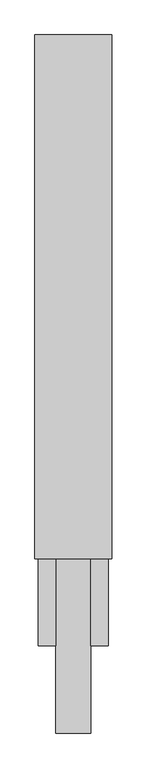
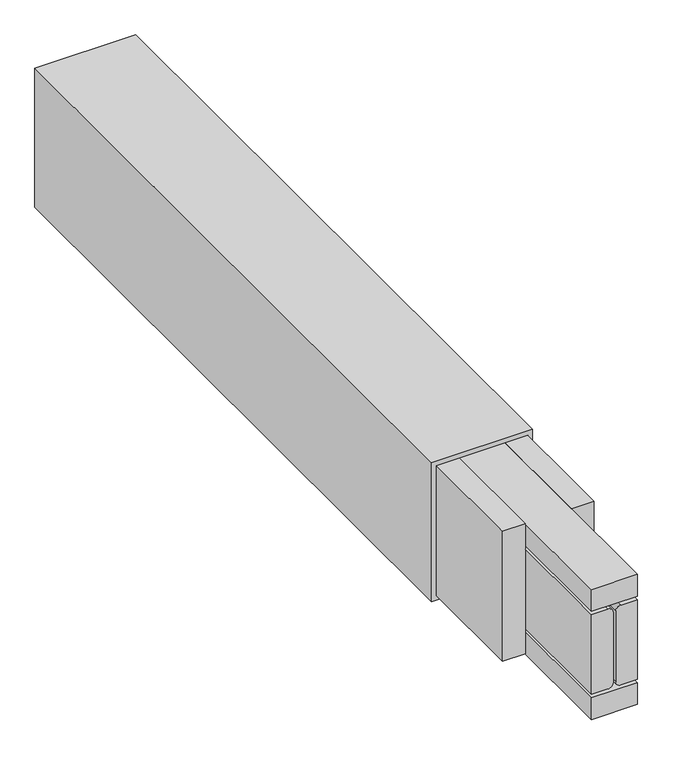
"""IFC4 building model written with IfcOpenShell, lengths in millimetres: beam geometry."""

from ifc_helpers import new_model, si_unit, point, frame, frame_2d, origin, place, context, project, spatial, polyline, circle_curve, trimmed, segment, composite_curve, outline, extrude, source, transform, mapped, element, save


def beam_fd8f88bd(model_context):
    return source(origin(), model_context, "Body", "SweptSolid", [
        extrude(outline(polyline([(215.0, -1403.6044048), (-105.0, -1403.6044048), (-105.0, -1183.6044048), (215.0, -1183.6044048), (215.0, -1403.6044048)]), holes=[polyline([(205.0, -1393.6044048), (205.0, -1193.6044048), (-95.0, -1193.6044048), (-95.0, -1393.6044048), (205.0, -1393.6044048)])]), frame((0.0, -35802.6148653, 0.0), z_axis=(0.0, 1.0, 0.0), x_axis=(0.0, 0.0, 1.0)), (0.0, 0.0, 1.0), 1500.0),
        extrude(outline(polyline([(-1243.6044048, -34302.6148653), (-1193.6044048, -34302.6148653), (-1193.6044048, -36052.6148653), (-1243.6044048, -36052.6148653), (-1243.6044048, -34302.6148653)])), frame((0.0, 0.0, -95.0), z_axis=(0.0, 0.0, 1.0), x_axis=(1.0, 0.0, 0.0)), (0.0, 0.0, 1.0), 300.0),
        extrude(outline(polyline([(-1393.6044048, -34302.6148653), (-1343.6044048, -34302.6148653), (-1343.6044048, -36052.6148653), (-1393.6044048, -36052.6148653), (-1393.6044048, -34302.6148653)])), frame((0.0, 0.0, -95.0), z_axis=(0.0, 0.0, 1.0), x_axis=(1.0, 0.0, 0.0)), (0.0, 0.0, 1.0), 300.0),
        extrude(outline(composite_curve([segment(polyline([(-37.0, -1343.6044048), (-37.0, -1307.3544048)]), True, "CONTINUOUS"), segment(trimmed(circle_curve(frame_2d((-26.0, -1307.3544048)), 11.0), [point((-37.0, -1307.3544048))], [point((-26.0, -1296.3544048))], False, "CARTESIAN"), True, "CONTINUOUS"), segment(polyline([(-26.0, -1296.3544048), (136.0, -1296.3544048)]), True, "CONTINUOUS"), segment(trimmed(circle_curve(frame_2d((136.0, -1307.3544048)), 11.0), [point((136.0, -1296.3544048))], [point((147.0, -1307.3544048))], False, "CARTESIAN"), True, "CONTINUOUS"), segment(polyline([(147.0, -1307.3544048), (147.0, -1343.6044048), (-37.0, -1343.6044048)]), True, "CONTINUOUS")], self_intersect=False)), frame((0.0, -36302.6148653, 0.0), z_axis=(0.0, 1.0, 0.0), x_axis=(0.0, 0.0, 1.0)), (0.0, 0.0, 1.0), 2000.0),
        extrude(outline(composite_curve([segment(polyline([(-37.0, -1243.6044048), (147.0, -1243.6044048), (147.0, -1279.8544048)]), True, "CONTINUOUS"), segment(trimmed(circle_curve(frame_2d((136.0, -1279.8544048)), 11.0), [point((147.0, -1279.8544048))], [point((136.0, -1290.8544048))], False, "CARTESIAN"), True, "CONTINUOUS"), segment(polyline([(136.0, -1290.8544048), (-26.0, -1290.8544048)]), True, "CONTINUOUS"), segment(trimmed(circle_curve(frame_2d((-26.0, -1279.8544048)), 11.0), [point((-26.0, -1290.8544048))], [point((-37.0, -1279.8544048))], False, "CARTESIAN"), True, "CONTINUOUS"), segment(polyline([(-37.0, -1279.8544048), (-37.0, -1243.6044048)]), True, "CONTINUOUS")], self_intersect=False)), frame((0.0, -36302.6148653, 0.0), z_axis=(0.0, 1.0, 0.0), x_axis=(0.0, 0.0, 1.0)), (0.0, 0.0, 1.0), 2000.0),
        extrude(outline(polyline([(-1343.6044048, -34302.6148653), (-1243.6044048, -34302.6148653), (-1243.6044048, -36302.6148653), (-1343.6044048, -36302.6148653), (-1343.6044048, -34302.6148653)])), frame((0.0, 0.0, 155.0), z_axis=(0.0, 0.0, 1.0), x_axis=(1.0, 0.0, 0.0)), (0.0, 0.0, 1.0), 50.0),
        extrude(outline(polyline([(-1343.6044048, -34302.6148653), (-1243.6044048, -34302.6148653), (-1243.6044048, -36302.6148653), (-1343.6044048, -36302.6148653), (-1343.6044048, -34302.6148653)])), frame((0.0, 0.0, -95.0), z_axis=(0.0, 0.0, 1.0), x_axis=(1.0, 0.0, 0.0)), (0.0, 0.0, 1.0), 50.0),
    ])


if __name__ == "__main__":
    model = new_model("IFC4")
    model_context = context("Model", 3, world=origin())
    ifc_project = project(units=[si_unit("LENGTHUNIT", "METRE", prefix="MILLI")], contexts=[model_context])
    site = spatial("IfcSite", under=ifc_project)
    building = spatial("IfcBuilding", under=site)
    placement = place(None, origin())
    beam_shape = beam_fd8f88bd(model_context)
    element("IfcBeam", 1, at=placement, inside=building, context=model_context, shape_type="MappedRepresentation", body=[
        mapped(beam_shape, transform((0.0, 0.0, 0.0), x_axis=(1.0, 0.0, 0.0), y_axis=(0.0, 1.0, 0.0), z_axis=(0.0, 0.0, 1.0))),
    ])
    save(model, "model.ifc")
